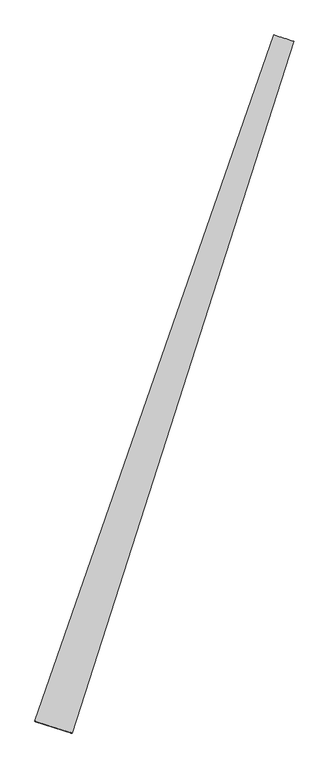
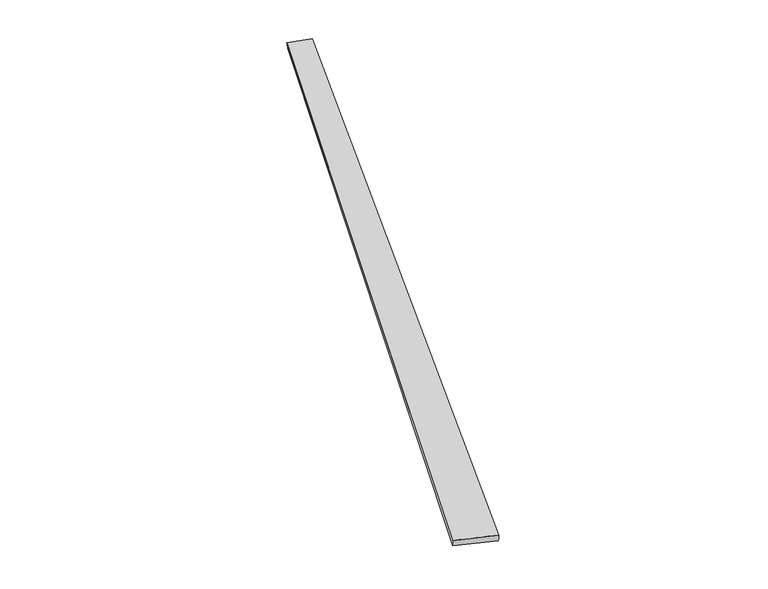
"""IFC4 building model written with IfcOpenShell, lengths in millimetres: proxy geometry."""

from ifc_helpers import new_model, si_unit, origin, place, context, project, spatial, source, transform, mapped, element, save
from ifc_brep_helpers import spline_surface, advanced_brep


def generic_models_411884c8(model_context):
    return source(origin(), model_context, "Body", "AdvancedBrep", [
        advanced_brep(
        [(-666.555315, -1688.606798, 1.2603044), (-668.2427021, -1687.9890053, 31.2064403), (657.8193353, 2118.5962142, 27.2747481), (662.0395667, 2117.09446, -2.3889398), (-461.6311425, -1752.4602244, 28.6257361), (770.3851714, 2082.553182, 32.3315194), (-464.1050573, -1751.6365153, -1.2607366), (768.6208056, 2083.1488533, 2.389372)],
        [
            (0, 1),
            (1, 2),
            (2, 3),
            (3, 0),
            (1, 4),
            (4, 5),
            (5, 2),
            (4, 6),
            (6, 7),
            (7, 5),
            (6, 0),
            (3, 7),
        ],
        [
            spline_surface(1, 1, [[(-666.555315, -1688.606798, 1.2603044), (662.0395667, 2117.09446, -2.3889398)], [(-668.2427021, -1687.9890053, 31.2064403), (657.8193353, 2118.5962142, 27.2747481)]], [2, 2], [2, 2], [0.0, 1.0], [0.0, 1.0]),
            spline_surface(1, 1, [[(-668.2427021, -1687.9890053, 31.2064403), (657.8193353, 2118.5962142, 27.2747481)], [(-461.6311425, -1752.4602244, 28.6257361), (770.3851714, 2082.553182, 32.3315194)]], [2, 2], [2, 2], [0.0, 1.0], [0.0, 1.0]),
            spline_surface(1, 1, [[(-461.6311425, -1752.4602244, 28.6257361), (770.3851714, 2082.553182, 32.3315194)], [(-464.1050573, -1751.6365153, -1.2607366), (768.6208056, 2083.1488533, 2.389372)]], [2, 2], [2, 2], [0.0, 1.0], [0.0, 1.0]),
            spline_surface(1, 1, [[(-464.1050573, -1751.6365153, -1.2607366), (768.6208056, 2083.1488533, 2.389372)], [(-666.555315, -1688.606798, 1.2603044), (662.0395667, 2117.09446, -2.3889398)]], [2, 2], [2, 2], [0.0, 1.0], [0.0, 1.0]),
            spline_surface(1, 1, [[(657.8193353, 2118.5962142, 27.2747481), (662.0395667, 2117.09446, -2.3889398)], [(770.3851714, 2082.553182, 32.3315194), (768.6208056, 2083.1488533, 2.389372)]], [2, 2], [2, 2], [0.0, 1.0], [0.0, 1.0]),
            spline_surface(1, 1, [[(-464.1050573, -1751.6365153, -1.2607366), (-666.555315, -1688.606798, 1.2603044)], [(-461.6311425, -1752.4602244, 28.6257361), (-668.2427021, -1687.9890053, 31.2064403)]], [2, 2], [2, 2], [0.0, 1.0], [0.0, 1.0]),
        ],
        [
            (0, [[1, 2, 3, 4]]),
            (1, [[5, 6, 7, -2]]),
            (2, [[8, 9, 10, -6]]),
            (3, [[11, -4, 12, -9]]),
            (4, [[-3, -7, -10, -12]]),
            (5, [[-11, -8, -5, -1]]),
        ],
    ),
    ])


if __name__ == "__main__":
    model = new_model("IFC4")
    model_context = context("Model", 3, world=origin())
    ifc_project = project(units=[si_unit("LENGTHUNIT", "METRE", prefix="MILLI")], contexts=[model_context])
    site = spatial("IfcSite", under=ifc_project)
    building = spatial("IfcBuilding", under=site)
    placement = place(None, origin())
    generic_models_shape = generic_models_411884c8(model_context)
    element("IfcBuildingElementProxy", 1, Name="Generic Models", at=placement, inside=building, context=model_context, shape_type="MappedRepresentation", body=[
        mapped(generic_models_shape, transform((0.0, 0.0, 0.0), x_axis=(1.0, 0.0, 0.0), y_axis=(0.0, 1.0, 0.0), z_axis=(0.0, 0.0, 1.0))),
    ])
    save(model, "model.ifc")
